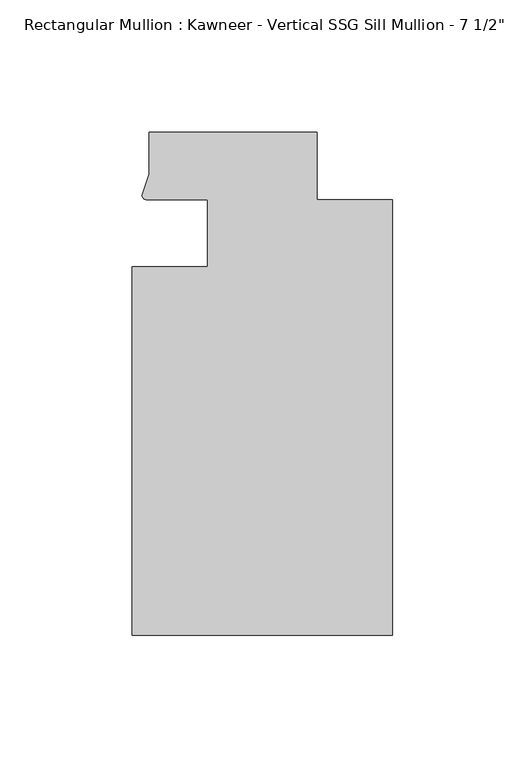
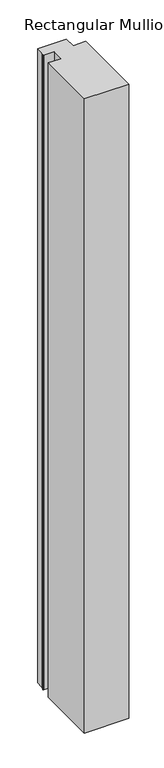
"""IFC4 building model written with IfcOpenShell, lengths in millimetres: member geometry."""

import ifcopenshell
import ifcopenshell.guid

model = None  # the IFC model being written
_history = None  # IfcOwnerHistory: only IFC2X3 demands one
_inside = {}  # id of a spatial element -> (the spatial element, [elements in it])
_under = {}  # id of a project, library or spatial element -> (it, [spatial elements below it])
_declared = {}  # id of a project -> (the project, [libraries it declares])
_typed = {}  # id of a type object -> (the type object, [elements of that type])
_made_of = {}  # id of a material, layer set ... -> (it, [elements and type objects made of it])


def new_model(schema):
    """Start an empty IFC model of exactly this schema.

    Asked for "IFC4X3", IfcOpenShell would pick the latest addendum, in which some entities
    have other attributes; the version numbers below select the first issue.
    IFC2X3 requires an IfcOwnerHistory on every rooted entity: one is made here for all.
    """
    global model, _history
    if schema == "IFC4X3":
        model = ifcopenshell.file(schema_version=(4, 3, 0, 0))
    else:
        model = ifcopenshell.file(schema=schema)
    _inside.clear()
    _under.clear()
    _declared.clear()
    _typed.clear()
    _made_of.clear()
    _history = None
    if model.schema == "IFC2X3":
        org = make("IfcOrganization", Name="unknown")
        user = make(
            "IfcPersonAndOrganization",
            ThePerson=make("IfcPerson", FamilyName="unknown"),
            TheOrganization=org,
        )
        app = make(
            "IfcApplication",
            ApplicationDeveloper=org,
            Version="unknown",
            ApplicationFullName="unknown",
            ApplicationIdentifier="unknown",
        )
        _history = make(
            "IfcOwnerHistory",
            OwningUser=user,
            OwningApplication=app,
            ChangeAction="ADDED",
            CreationDate=0,
        )
    return model


def make(cls, **values):
    """One entity of the class cls with the attributes given. An attribute that is None is left unset."""
    return model.create_entity(
        cls, **{name: value for name, value in values.items() if value is not None}
    )


def rooted(cls, **values):
    """An entity with a GlobalId (a new one), such as an element, a storey or a relation."""
    return make(cls, GlobalId=ifcopenshell.guid.new(), OwnerHistory=_history, **values)


def si_unit(unit_type, name, prefix=None):
    """IfcSIUnit, for example si_unit("LENGTHUNIT", "METRE", prefix="MILLI")."""
    return make("IfcSIUnit", UnitType=unit_type, Prefix=prefix, Name=name)


def assignment(units):
    """IfcUnitAssignment: the units of a project."""
    return None if units is None else make("IfcUnitAssignment", Units=units)


def point(xyz):
    """IfcCartesianPoint."""
    return None if xyz is None else make("IfcCartesianPoint", Coordinates=xyz)


def direction(xyz):
    """IfcDirection."""
    return None if xyz is None else make("IfcDirection", DirectionRatios=xyz)


def frame(location, z_axis=None, x_axis=None):
    """IfcAxis2Placement3D, a coordinate frame: its origin and axes. An axis left out is left unset."""
    return make(
        "IfcAxis2Placement3D",
        Location=point(location),
        Axis=direction(z_axis),
        RefDirection=direction(x_axis),
    )


def frame_2d(location, x_axis=None):
    """IfcAxis2Placement2D, a coordinate frame in the plane: its origin and x axis."""
    return make(
        "IfcAxis2Placement2D", Location=point(location), RefDirection=direction(x_axis)
    )


def origin():
    """The frame at (0, 0, 0) with its axes left unset."""
    return frame((0.0, 0.0, 0.0))


def place(relative_to, where):
    """IfcLocalPlacement: puts the frame where relative to a parent placement (None: the world)."""
    return make(
        "IfcLocalPlacement", PlacementRelTo=relative_to, RelativePlacement=where
    )


def context(
    kind, dimensions, precision=None, world=None, true_north=None, identifier=None
):
    """IfcGeometricRepresentationContext, for example the 3D "Model" context."""
    return make(
        "IfcGeometricRepresentationContext",
        ContextIdentifier=identifier,
        ContextType=kind,
        CoordinateSpaceDimension=dimensions,
        Precision=precision,
        WorldCoordinateSystem=world,
        TrueNorth=true_north,
    )


def project(units=None, contexts=None):
    """IfcProject with its units and contexts."""
    return rooted(
        "IfcProject",
        Name="project",
        RepresentationContexts=contexts,
        UnitsInContext=assignment(units),
    )


def spatial(cls, under=None, at=None, **own):
    """A site, building, storey or space (cls), placed at a placement, below another one or the project."""
    s = rooted(cls, ObjectPlacement=at, **own)
    if under is not None:
        _under.setdefault(under.id(), (under, []))[1].append(s)
    return s


def polyline(points):
    """IfcPolyline through the points."""
    return make("IfcPolyline", Points=[point(p) for p in points])


def circle_curve(where, radius):
    """IfcCircle in the frame where."""
    return make("IfcCircle", Position=where, Radius=radius)


def trimmed(basis, trim1, trim2, sense, master):
    """IfcTrimmedCurve: the piece of a basis curve between two trims."""
    return make(
        "IfcTrimmedCurve",
        BasisCurve=basis,
        Trim1=trim1,
        Trim2=trim2,
        SenseAgreement=sense,
        MasterRepresentation=master,
    )


def segment(curve, same_sense, transition):
    """IfcCompositeCurveSegment."""
    return make(
        "IfcCompositeCurveSegment",
        Transition=transition,
        SameSense=same_sense,
        ParentCurve=curve,
    )


def composite_curve(segments, self_intersect=None):
    """IfcCompositeCurve: segments joined end to end."""
    return make("IfcCompositeCurve", Segments=segments, SelfIntersect=self_intersect)


def outline(outer, holes=None, kind="AREA"):
    """IfcArbitraryClosedProfileDef: a profile drawn as a closed curve; with holes, ...WithVoids."""
    if holes is None:
        return make("IfcArbitraryClosedProfileDef", ProfileType=kind, OuterCurve=outer)
    return make(
        "IfcArbitraryProfileDefWithVoids",
        ProfileType=kind,
        OuterCurve=outer,
        InnerCurves=holes,
    )


def extrude(swept, where, along, depth):
    """IfcExtrudedAreaSolid: the profile swept, set in the frame where, extruded along a direction by depth."""
    return make(
        "IfcExtrudedAreaSolid",
        SweptArea=swept,
        Position=where,
        ExtrudedDirection=direction(along),
        Depth=depth,
    )


def shape(context_of_items, identifier, shape_type, items):
    """IfcShapeRepresentation: the items that make up one representation, for example the "Body"."""
    return make(
        "IfcShapeRepresentation",
        ContextOfItems=context_of_items,
        RepresentationIdentifier=identifier,
        RepresentationType=shape_type,
        Items=items,
    )


def source(mapping_origin, context_of_items, identifier, shape_type, items):
    """IfcRepresentationMap: a shape defined once, which mapped items show again and again."""
    return make(
        "IfcRepresentationMap",
        MappingOrigin=mapping_origin,
        MappedRepresentation=shape(context_of_items, identifier, shape_type, items),
    )


def transform(
    local_origin,
    x_axis=None,
    y_axis=None,
    z_axis=None,
    scale=None,
    scale2=None,
    scale3=None,
    uniform=True,
):
    """IfcCartesianTransformationOperator3D, or its non-uniform kind. x_axis, y_axis, z_axis: its Axis1, 2, 3."""
    if uniform:
        return make(
            "IfcCartesianTransformationOperator3D",
            Axis1=direction(x_axis),
            Axis2=direction(y_axis),
            LocalOrigin=point(local_origin),
            Scale=scale,
            Axis3=direction(z_axis),
        )
    return make(
        "IfcCartesianTransformationOperator3DnonUniform",
        Axis1=direction(x_axis),
        Axis2=direction(y_axis),
        LocalOrigin=point(local_origin),
        Scale=scale,
        Axis3=direction(z_axis),
        Scale2=scale2,
        Scale3=scale3,
    )


def mapped(mapping_source, mapping_target):
    """IfcMappedItem: shows the shape of a source again, moved by a transform."""
    return make(
        "IfcMappedItem", MappingSource=mapping_source, MappingTarget=mapping_target
    )


def made_of(thing, what):
    """Note that an element or type object is made of a material, layer set ...; save() writes the relation."""
    if what is not None:
        _made_of.setdefault(what.id(), (what, []))[1].append(thing)
    return thing


def element(
    cls,
    number,
    at=None,
    inside=None,
    cuts=None,
    type_object=None,
    material=None,
    context=None,
    identifier="Body",
    shape_type=None,
    held_by="IfcProductDefinitionShape",
    body=None,
    shapes=None,
    **own,
):
    """One element of the class cls, such as IfcWall. Its Tag is "e" and its number.

    at: its placement. inside: the storey or other place that contains it. cuts: it is an
    opening in that element (IfcRelVoidsElement). A single representation is given by context,
    identifier, shape_type and body (its items); several are given by shapes. held_by: the class
    of the entity that holds the representations. save() writes the other relations.
    """
    e = rooted(cls, Tag="e%d" % number, ObjectPlacement=at, **own)
    if body is not None:
        shapes = [shape(context, identifier, shape_type, body)]
    if shapes is not None:
        e.Representation = make(held_by, Representations=shapes)
    if inside is not None:
        _inside.setdefault(inside.id(), (inside, []))[1].append(e)
    if cuts is not None:
        rooted(
            "IfcRelVoidsElement", RelatingBuildingElement=cuts, RelatedOpeningElement=e
        )
    if type_object is not None:
        _typed.setdefault(type_object.id(), (type_object, []))[1].append(e)
    return made_of(e, material)


def aggregate(whole, parts):
    """IfcRelAggregates: a whole, such as a stair, and the parts it consists of."""
    return rooted("IfcRelAggregates", RelatingObject=whole, RelatedObjects=parts)


def save(model, path):
    """Write the relations noted so far, then the file.

    IfcRelAggregates (storeys below a building ...), IfcRelContainedInSpatialStructure (elements
    in a storey), IfcRelDefinesByType, IfcRelAssociatesMaterial and IfcRelDeclares: one each for
    every whole, place, type object, material and project.
    """
    for whole, parts in _under.values():
        aggregate(whole, parts)
    for where, things in _inside.values():
        rooted(
            "IfcRelContainedInSpatialStructure",
            RelatedElements=things,
            RelatingStructure=where,
        )
    for kind, things in _typed.values():
        rooted("IfcRelDefinesByType", RelatedObjects=things, RelatingType=kind)
    for what, things in _made_of.values():
        rooted("IfcRelAssociatesMaterial", RelatedObjects=things, RelatingMaterial=what)
    for by, libraries in _declared.values():
        rooted("IfcRelDeclares", RelatingContext=by, RelatedDefinitions=libraries)
    model.write(path)


def member_9b2b4d88(model_context):
    return source(origin(), model_context, "Body", "SweptSolid", [
        extrude(outline(composite_curve([segment(polyline([(-69.85, -12.7), (-69.85, 12.700061), (-93.1091288, 12.700061)]), True, "CONTINUOUS"), segment(trimmed(circle_curve(frame_2d((-93.0262373, 14.401412)), 1.703369), [point((-93.1091288, 12.700061))], [point((-94.7258552, 14.2884292))], False, "CARTESIAN"), True, "CONTINUOUS"), segment(polyline([(-94.7258552, 14.2884292), (-92.075, 22.2250977), (-92.075, 38.1), (-28.575, 38.1), (-28.575, 12.7), (0.0, 12.7), (0.0, -151.892), (-98.425, -151.892), (-98.425, -12.7), (-69.85, -12.7)]), True, "CONTINUOUS")], self_intersect=False)), frame((0.0, 0.0, -1484.9016552), z_axis=(0.0, 0.0, 1.0), x_axis=(1.0, 0.0, 0.0)), (0.0, 0.0, 1.0), 1484.9016552),
    ])


if __name__ == "__main__":
    model = new_model("IFC4")
    model_context = context("Model", 3, world=origin())
    ifc_project = project(units=[si_unit("LENGTHUNIT", "METRE", prefix="MILLI")], contexts=[model_context])
    site = spatial("IfcSite", under=ifc_project)
    building = spatial("IfcBuilding", under=site)
    placement = place(None, origin())
    member_shape = member_9b2b4d88(model_context)
    element("IfcMember", 1, ObjectType="Rectangular Mullion : Kawneer - Vertical SSG Sill Mullion - 7 1/2\"", at=placement, inside=building, context=model_context, shape_type="MappedRepresentation", body=[
        mapped(member_shape, transform((0.0, 0.0, 0.0), x_axis=(1.0, 0.0, 0.0), y_axis=(0.0, 1.0, 0.0), z_axis=(0.0, 0.0, 1.0))),
    ])
    save(model, "model.ifc")
